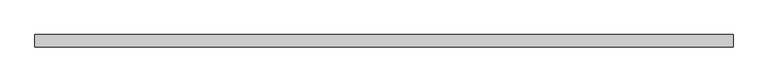
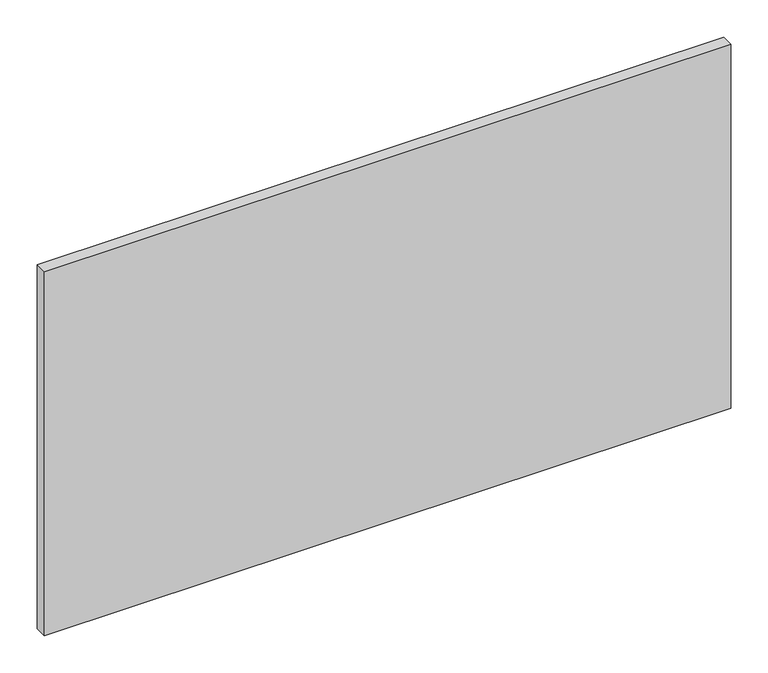
"""IFC4 building model written with IfcOpenShell, lengths in millimetres: proxy geometry."""

from ifc_helpers import new_model, si_unit, frame, origin, place, context, project, spatial, polyline, outline, extrude, source, transform, mapped, element, save


def specialty_equipment_6ed90e51(model_context):
    return source(origin(), model_context, "Body", "SweptSolid", [
        extrude(outline(polyline([(531.5249999, 0.0), (-531.5249999, 0.0), (-531.5249999, 19.05), (531.5249999, 19.05), (531.5249999, 0.0)])), frame((0.0, 0.0, 3.175), z_axis=(0.0, 0.0, 1.0), x_axis=(1.0, 0.0, 0.0)), (0.0, 0.0, 1.0), 596.0618001),
    ])


if __name__ == "__main__":
    model = new_model("IFC4")
    model_context = context("Model", 3, world=origin())
    ifc_project = project(units=[si_unit("LENGTHUNIT", "METRE", prefix="MILLI")], contexts=[model_context])
    site = spatial("IfcSite", under=ifc_project)
    building = spatial("IfcBuilding", under=site)
    placement = place(None, origin())
    specialty_equipment_shape = specialty_equipment_6ed90e51(model_context)
    element("IfcBuildingElementProxy", 1, Name="Specialty Equipment", at=placement, inside=building, context=model_context, shape_type="MappedRepresentation", body=[
        mapped(specialty_equipment_shape, transform((0.0, 0.0, 0.0), x_axis=(1.0, 0.0, 0.0), y_axis=(0.0, 1.0, 0.0), z_axis=(0.0, 0.0, 1.0))),
    ])
    save(model, "model.ifc")
